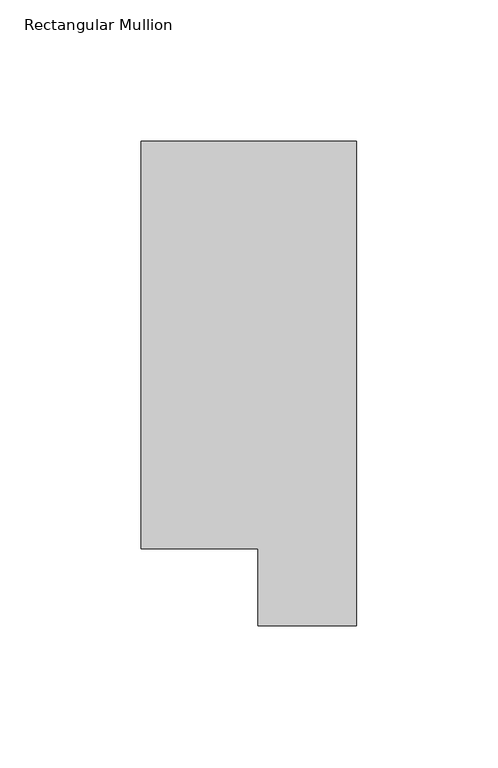
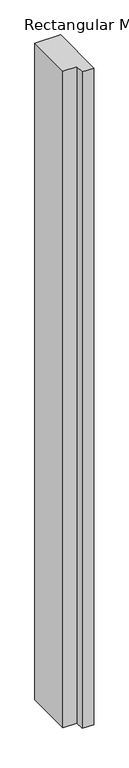
"""IFC4 building model written with IfcOpenShell, lengths in millimetres: member geometry, Rectangular Mullion."""

from ifc_helpers import new_model, si_unit, frame, origin, place, context, project, spatial, polyline, outline, extrude, source, transform, mapped, element, save


def rectangular_mullion_9d45adaf(model_context):
    return source(origin(), model_context, "Body", "SweptSolid", [
        extrude(outline(polyline([(0.0, 190.7881313), (0.0, 19.5667312), (-34.9123, 19.5667312), (-34.9123, 46.7447302), (-76.2, 46.7447302), (-76.2, 190.7881313), (0.0, 190.7881313)])), frame((0.0, 0.0, -2057.4), z_axis=(0.0, 0.0, 1.0), x_axis=(1.0, 0.0, 0.0)), (0.0, 0.0, 1.0), 2057.4),
    ])


if __name__ == "__main__":
    model = new_model("IFC4")
    model_context = context("Model", 3, world=origin())
    ifc_project = project(units=[si_unit("LENGTHUNIT", "METRE", prefix="MILLI")], contexts=[model_context])
    site = spatial("IfcSite", under=ifc_project)
    building = spatial("IfcBuilding", under=site)
    placement = place(None, origin())
    rectangular_mullion_shape = rectangular_mullion_9d45adaf(model_context)
    element("IfcMember", 1, ObjectType="Rectangular Mullion", at=placement, inside=building, context=model_context, shape_type="MappedRepresentation", body=[
        mapped(rectangular_mullion_shape, transform((0.0, 0.0, 0.0), x_axis=(1.0, 0.0, 0.0), y_axis=(0.0, 1.0, 0.0), z_axis=(0.0, 0.0, 1.0))),
    ])
    save(model, "model.ifc")
